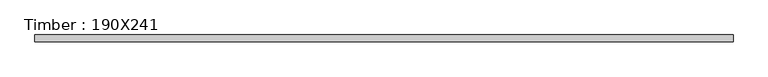
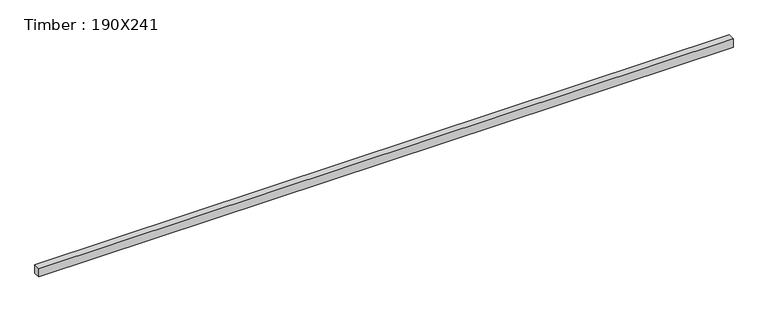
"""IFC4 building model written with IfcOpenShell, lengths in millimetres: beam geometry, Timber : 190X241."""

from ifc_helpers import new_model, si_unit, frame, origin, place, context, project, spatial, polyline, outline, extrude, source, transform, mapped, element, save


def timber_190x241_62c42b61(model_context):
    return source(origin(), model_context, "Body", "SweptSolid", [
        extrude(outline(polyline([(9649.5, 95.0), (9649.5, -95.0), (-9649.5, -95.0), (-9649.5, 95.0), (9649.5, 95.0)])), frame((0.0, 0.0, -120.5), z_axis=(0.0, 0.0, 1.0), x_axis=(1.0, 0.0, 0.0)), (0.0, 0.0, 1.0), 241.0),
    ])


if __name__ == "__main__":
    model = new_model("IFC4")
    model_context = context("Model", 3, world=origin())
    ifc_project = project(units=[si_unit("LENGTHUNIT", "METRE", prefix="MILLI")], contexts=[model_context])
    site = spatial("IfcSite", under=ifc_project)
    building = spatial("IfcBuilding", under=site)
    placement = place(None, origin())
    timber_190x241_shape = timber_190x241_62c42b61(model_context)
    element("IfcBeam", 1, ObjectType="Timber : 190X241", at=placement, inside=building, context=model_context, shape_type="MappedRepresentation", body=[
        mapped(timber_190x241_shape, transform((0.0, 0.0, 0.0), x_axis=(1.0, 0.0, 0.0), y_axis=(0.0, 1.0, 0.0), z_axis=(0.0, 0.0, 1.0))),
    ])
    save(model, "model.ifc")
